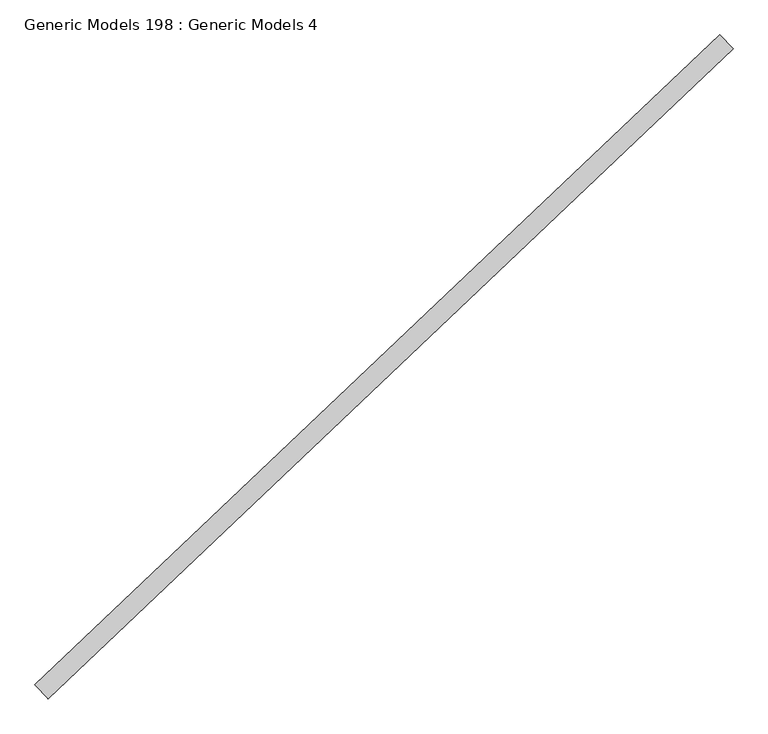
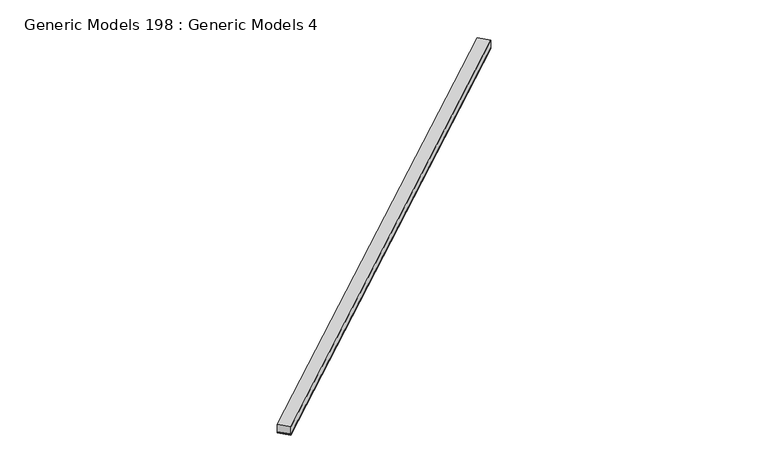
"""IFC4 building model written with IfcOpenShell, lengths in millimetres: proxy geometry, Generic Models 198 : Generic Models 4."""

from ifc_helpers import new_model, si_unit, point, frame, frame_2d, origin, place, context, project, spatial, polyline, circle_curve, trimmed, segment, composite_curve, outline, extrude, source, transform, mapped, element, save


def generic_models_198_generic_models_4_dafde955(model_context):
    return source(origin(), model_context, "Body", "SweptSolid", [
        extrude(outline(composite_curve([segment(polyline([(92.075, -9.128125), (0.0, -9.128125)]), True, "CONTINUOUS"), segment(trimmed(circle_curve(frame_2d((-4.4149557, -4.5640625)), 6.35), [point((0.0, -9.128125))], [point((0.0, 0.0))], True, "CARTESIAN"), True, "CONTINUOUS"), segment(polyline([(0.0, 0.0), (92.075, 0.0)]), True, "CONTINUOUS"), segment(trimmed(circle_curve(frame_2d((96.4899556, -4.5640625)), 6.35), [point((92.075, 0.0))], [point((92.075, -9.128125))], True, "CARTESIAN"), True, "CONTINUOUS")], self_intersect=False)), frame((99763.4645275, 57298.7606646, 16967.7878084), z_axis=(0.7253743710123147, 0.6883545756937256, 0.0), x_axis=(0.6883545756937256, -0.7253743710123147, 0.0)), (0.0, 0.0, 1.0), 4530.725),
        extrude(outline(polyline([(99826.844775, 57231.9718194), (99763.4645275, 57298.7606646), (103049.9363246, 60417.5059496), (103113.3165721, 60350.7171044), (99826.844775, 57231.9718194)])), frame((0.0, 0.0, 16977.3128084), z_axis=(0.0, 0.0, 1.0), x_axis=(1.0, 0.0, 0.0)), (0.0, 0.0, 1.0), 57.15),
    ])


if __name__ == "__main__":
    model = new_model("IFC4")
    model_context = context("Model", 3, world=origin())
    ifc_project = project(units=[si_unit("LENGTHUNIT", "METRE", prefix="MILLI")], contexts=[model_context])
    site = spatial("IfcSite", under=ifc_project)
    building = spatial("IfcBuilding", under=site)
    placement = place(None, origin())
    generic_models_198_generic_models_4_shape = generic_models_198_generic_models_4_dafde955(model_context)
    element("IfcBuildingElementProxy", 1, Name="Generic Models 198 : Generic Models 4", ObjectType="Generic Models 198 : Generic Models 4", at=placement, inside=building, context=model_context, shape_type="MappedRepresentation", body=[
        mapped(generic_models_198_generic_models_4_shape, transform((0.0, 0.0, 0.0), x_axis=(1.0, 0.0, 0.0), y_axis=(0.0, 1.0, 0.0), z_axis=(0.0, 0.0, 1.0))),
    ])
    save(model, "model.ifc")
